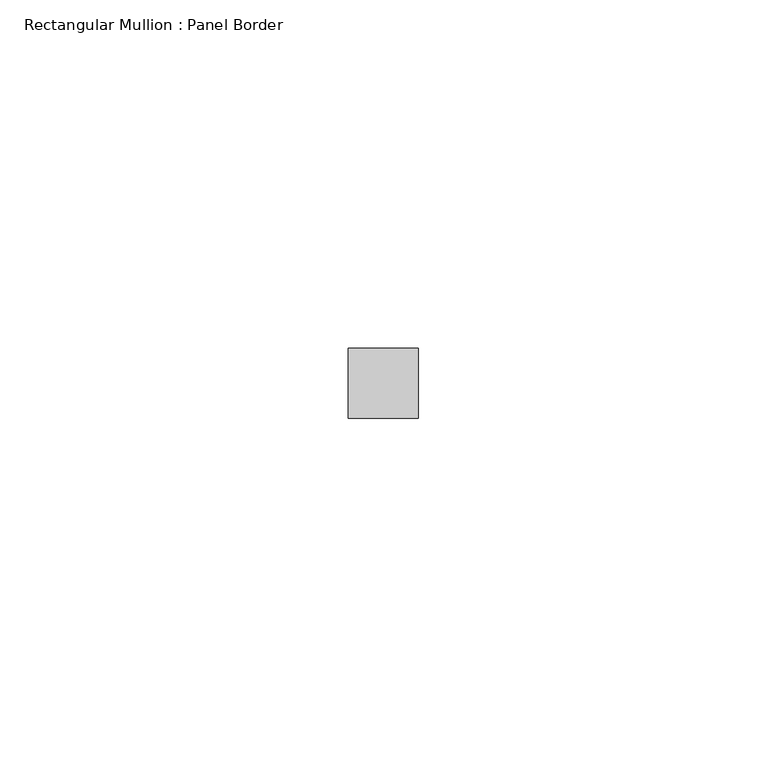
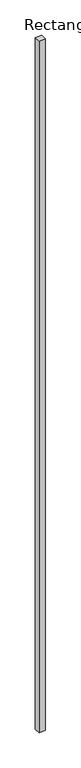
"""IFC4 building model written with IfcOpenShell, lengths in millimetres: member geometry, Rectangular Mullion : Panel Border."""

from ifc_helpers import new_model, si_unit, frame, origin, place, context, project, spatial, polyline, outline, extrude, source, transform, mapped, element, save


def rectangular_mullion_panel_border_e947b999(model_context):
    return source(origin(), model_context, "Body", "SweptSolid", [
        extrude(outline(polyline([(5.0, 5.5), (5.0, -4.5), (-5.0, -4.5), (-5.0, 5.5), (5.0, 5.5)])), frame((0.0, 0.0, -1190.0), z_axis=(0.0, 0.0, 1.0), x_axis=(1.0, 0.0, 0.0)), (0.0, 0.0, 1.0), 1190.0),
    ])


if __name__ == "__main__":
    model = new_model("IFC4")
    model_context = context("Model", 3, world=origin())
    ifc_project = project(units=[si_unit("LENGTHUNIT", "METRE", prefix="MILLI")], contexts=[model_context])
    site = spatial("IfcSite", under=ifc_project)
    building = spatial("IfcBuilding", under=site)
    placement = place(None, origin())
    rectangular_mullion_panel_border_shape = rectangular_mullion_panel_border_e947b999(model_context)
    element("IfcMember", 1, ObjectType="Rectangular Mullion : Panel Border", at=placement, inside=building, context=model_context, shape_type="MappedRepresentation", body=[
        mapped(rectangular_mullion_panel_border_shape, transform((0.0, 0.0, 0.0), x_axis=(1.0, 0.0, 0.0), y_axis=(0.0, 1.0, 0.0), z_axis=(0.0, 0.0, 1.0))),
    ])
    save(model, "model.ifc")
